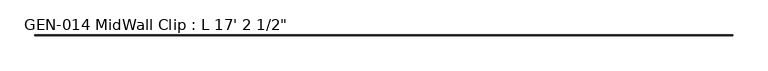
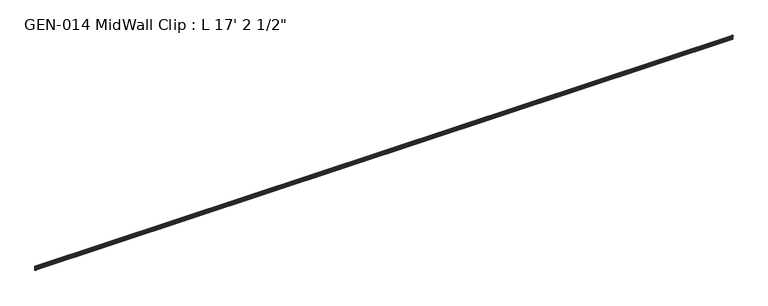
"""IFC4 building model written with IfcOpenShell, lengths in millimetres: proxy geometry."""

from ifc_helpers import new_model, si_unit, point, frame, frame_2d, origin, place, context, project, spatial, polyline, circle_curve, trimmed, segment, composite_curve, outline, extrude, source, transform, mapped, element, save


def proxy_fc21c0b5(model_context):
    return source(origin(), model_context, "Body", "SweptSolid", [
        extrude(outline(composite_curve([segment(polyline([(2.1386113, 32.1158903), (3.9735584, 32.6885982)]), True, "CONTINUOUS"), segment(trimmed(circle_curve(frame_2d((4.1838513, 32.2686835)), 0.4696291), [point((3.9735584, 32.6885982))], [point((4.6534804, 32.2686835))], False, "CARTESIAN"), True, "CONTINUOUS"), segment(polyline([(4.6534804, 32.2686835), (4.6534804, 30.7270734)]), True, "CONTINUOUS"), segment(trimmed(circle_curve(frame_2d((6.2409804, 30.7270734)), 1.5875), [point((4.6534804, 30.7270734))], [point((6.2409804, 29.1395734))], True, "CARTESIAN"), True, "CONTINUOUS"), segment(polyline([(6.2409804, 29.1395734), (7.5485426, 29.1395734), (7.5485426, 0.0), (4.055874, 0.0), (4.055874, 1.6102595)]), True, "CONTINUOUS"), segment(trimmed(circle_curve(frame_2d((4.0560426, 3.5152595)), 1.905), [point((4.055874, 1.6102595))], [point((5.9610426, 3.5152595))], True, "CARTESIAN"), True, "CONTINUOUS"), segment(polyline([(5.9610426, 3.5152595), (5.9610426, 4.6343152), (5.9610426, 12.4909614), (6.4702065, 13.408381), (6.4702065, 14.7485418), (5.9610426, 15.6659614), (5.9610426, 26.8535734)]), True, "CONTINUOUS"), segment(trimmed(circle_curve(frame_2d((5.4530426, 26.8535734)), 0.508), [point((5.9610426, 26.8535734))], [point((5.4361592, 27.3612928))], True, "CARTESIAN"), True, "CONTINUOUS"), segment(trimmed(circle_curve(frame_2d((5.4154804, 26.5995734)), 0.762), [point((5.4361592, 27.3612928))], [point((4.6764599, 26.4138515))], True, "CARTESIAN"), True, "CONTINUOUS"), segment(trimmed(circle_curve(frame_2d((4.1230664, 26.2747792)), 0.5706009), [point((4.6764599, 26.4138515))], [point((3.9349539, 25.7360779))], False, "CARTESIAN"), True, "CONTINUOUS"), segment(polyline([(3.9349539, 25.7360779), (2.1386113, 26.2967369)]), True, "CONTINUOUS"), segment(trimmed(circle_curve(frame_2d((3.0467234, 29.2063136)), 3.048), [point((2.1386113, 26.2967369))], [point((0.4447727, 30.7938136))], False, "CARTESIAN"), True, "CONTINUOUS"), segment(trimmed(circle_curve(frame_2d((3.0467234, 29.2063136)), 3.048), [point((0.4447727, 30.7938136))], [point((2.1386113, 32.1158903))], False, "CARTESIAN"), True, "CONTINUOUS")], self_intersect=False)), frame((-4940.3, 0.0, 0.0), z_axis=(1.0, 0.0, 0.0), x_axis=(0.0, 1.0, 0.0)), (0.0, 0.0, 1.0), 5245.1),
    ])


if __name__ == "__main__":
    model = new_model("IFC4")
    model_context = context("Model", 3, world=origin())
    ifc_project = project(units=[si_unit("LENGTHUNIT", "METRE", prefix="MILLI")], contexts=[model_context])
    site = spatial("IfcSite", under=ifc_project)
    building = spatial("IfcBuilding", under=site)
    placement = place(None, origin())
    proxy_shape = proxy_fc21c0b5(model_context)
    element("IfcBuildingElementProxy", 1, Name="GEN-014 MidWall Clip : L 17' 2 1/2\"", ObjectType="GEN-014 MidWall Clip : L 17' 2 1/2\"", at=placement, inside=building, context=model_context, shape_type="MappedRepresentation", body=[
        mapped(proxy_shape, transform((0.0, 0.0, 0.0), x_axis=(1.0, 0.0, 0.0), y_axis=(0.0, 1.0, 0.0), z_axis=(0.0, 0.0, 1.0))),
    ])
    save(model, "model.ifc")
